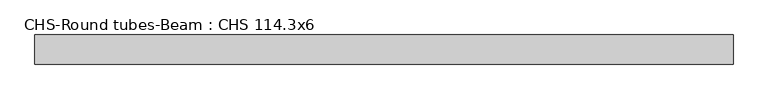
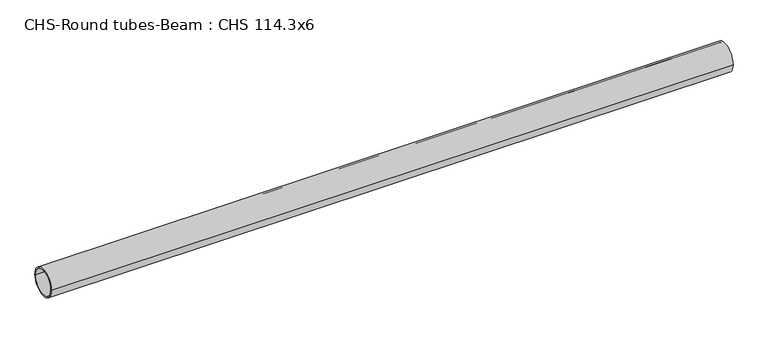
"""IFC4 building model written with IfcOpenShell, lengths in millimetres: beam geometry, CHS-Round tubes-Beam : CHS 114.3x6."""

from ifc_helpers import new_model, si_unit, point, frame, origin, origin_2d, place, context, project, spatial, circle_curve, trimmed, segment, composite_curve, outline, extrude, source, transform, mapped, element, save


def chs_round_tubes_beam_chs_114_3x6_52ef3739(model_context):
    return source(origin(), model_context, "Body", "SweptSolid", [
        extrude(outline(composite_curve([segment(trimmed(circle_curve(origin_2d(), 57.15), [point((57.15, 0.0))], [point((-57.15, 0.0))], False, "CARTESIAN"), True, "CONTINUOUS"), segment(trimmed(circle_curve(origin_2d(), 57.15), [point((-57.15, 0.0))], [point((57.15, 0.0))], False, "CARTESIAN"), True, "CONTINUOUS")], self_intersect=False), holes=[composite_curve([segment(trimmed(circle_curve(origin_2d(), 51.15), [point((51.15, 0.0))], [point((-51.15, 0.0))], True, "CARTESIAN"), True, "CONTINUOUS"), segment(trimmed(circle_curve(origin_2d(), 51.15), [point((-51.15, 0.0))], [point((51.15, 0.0))], True, "CARTESIAN"), True, "CONTINUOUS")], self_intersect=False)]), frame((-1367.4247025, 0.0, 0.0), z_axis=(1.0, 0.0, 0.0), x_axis=(0.0, 1.0, 0.0)), (0.0, 0.0, 1.0), 2742.9015652),
    ])


if __name__ == "__main__":
    model = new_model("IFC4")
    model_context = context("Model", 3, world=origin())
    ifc_project = project(units=[si_unit("LENGTHUNIT", "METRE", prefix="MILLI")], contexts=[model_context])
    site = spatial("IfcSite", under=ifc_project)
    building = spatial("IfcBuilding", under=site)
    placement = place(None, origin())
    chs_round_tubes_beam_chs_114_3x6_shape = chs_round_tubes_beam_chs_114_3x6_52ef3739(model_context)
    element("IfcBeam", 1, ObjectType="CHS-Round tubes-Beam : CHS 114.3x6", at=placement, inside=building, context=model_context, shape_type="MappedRepresentation", body=[
        mapped(chs_round_tubes_beam_chs_114_3x6_shape, transform((0.0, 0.0, 0.0), x_axis=(1.0, 0.0, 0.0), y_axis=(0.0, 1.0, 0.0), z_axis=(0.0, 0.0, 1.0))),
    ])
    save(model, "model.ifc")
